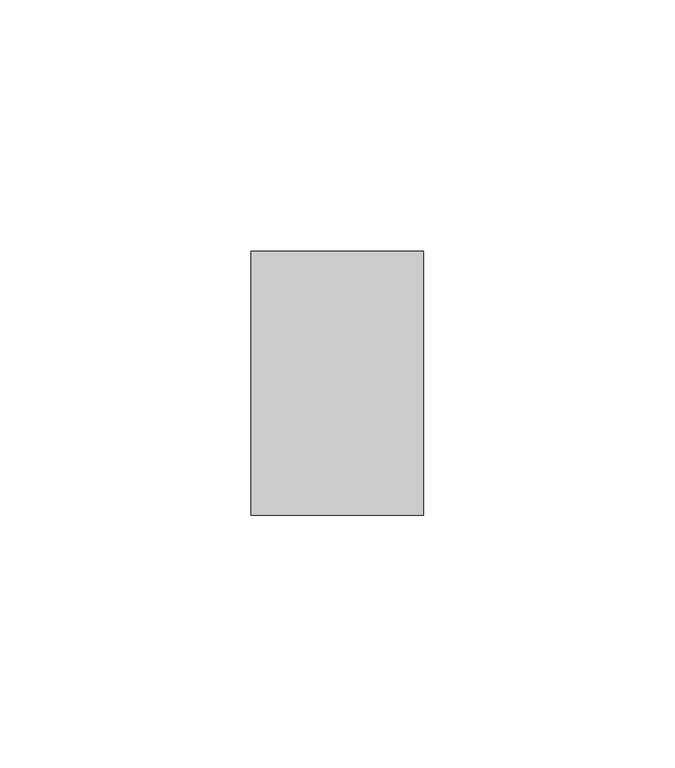
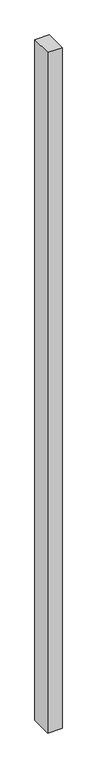
"""IFC4 building model written with IfcOpenShell, lengths in millimetres: plate geometry."""

from ifc_helpers import new_model, si_unit, origin, origin_with_axes, place, context, project, spatial, polyline, outline, extrude, source, transform, mapped, element, save


def plate_90cd3606(model_context):
    return source(origin(), model_context, "Body", "SweptSolid", [
        extrude(outline(polyline([(17.1340206, -26.19375), (-17.1340206, -26.19375), (-17.1340206, 26.19375), (17.1340206, 26.19375), (17.1340206, -26.19375)])), origin_with_axes(), (0.0, 0.0, 1.0), 1708.8912252),
    ])


if __name__ == "__main__":
    model = new_model("IFC4")
    model_context = context("Model", 3, world=origin())
    ifc_project = project(units=[si_unit("LENGTHUNIT", "METRE", prefix="MILLI")], contexts=[model_context])
    site = spatial("IfcSite", under=ifc_project)
    building = spatial("IfcBuilding", under=site)
    placement = place(None, origin())
    plate_shape = plate_90cd3606(model_context)
    element("IfcPlate", 1, at=placement, inside=building, context=model_context, shape_type="MappedRepresentation", body=[
        mapped(plate_shape, transform((0.0, 0.0, 0.0), x_axis=(1.0, 0.0, 0.0), y_axis=(0.0, 1.0, 0.0), z_axis=(0.0, 0.0, 1.0))),
    ])
    save(model, "model.ifc")
